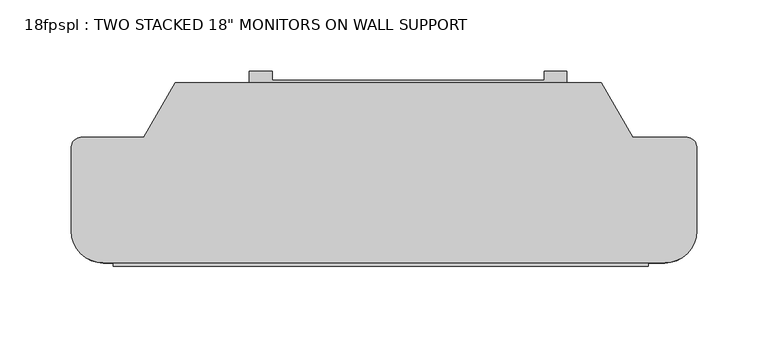
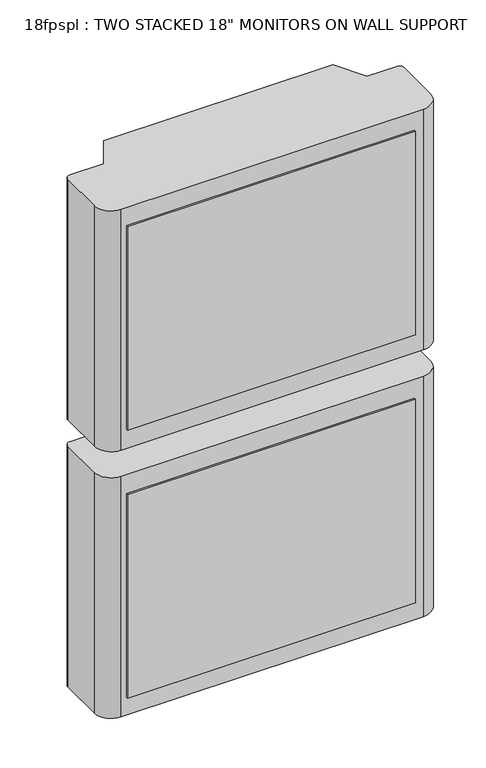
"""IFC4 building model written with IfcOpenShell, lengths in millimetres: proxy geometry."""

from ifc_helpers import new_model, si_unit, point, frame, frame_2d, origin, place, context, project, spatial, polyline, circle_curve, trimmed, segment, composite_curve, outline, extrude, source, transform, mapped, element, save


def proxy_c56af4f6(model_context):
    return source(origin(), model_context, "Body", "SweptSolid", [
        extrude(outline(polyline([(-191.6578655, 171.4178051), (182.9921345, 171.4178051), (182.9921345, 159.0541477), (-191.6578655, 159.0541477), (-191.6578655, 171.4178051)])), frame((0.0, 0.0, 1916.7188803), z_axis=(0.0, 0.0, 1.0), x_axis=(1.0, 0.0, 0.0)), (0.0, 0.0, 1.0), 279.4),
        extrude(outline(polyline([(-191.6578655, 171.4178051), (182.9921345, 171.4178051), (182.9921345, 159.0541477), (-191.6578655, 159.0541477), (-191.6578655, 171.4178051)])), frame((0.0, 0.0, 1548.3655858), z_axis=(0.0, 0.0, 1.0), x_axis=(1.0, 0.0, 0.0)), (0.0, 0.0, 1.0), 279.4),
        extrude(outline(polyline([(-96.2356229, 286.0541477), (-96.2356229, 295.39757), (-80.1340325, 295.39757), (-80.1340325, 289.04757), (110.3659675, 289.04757), (110.3659675, 295.39757), (126.0143771, 295.39757), (126.0143771, 286.0541477), (-96.2356229, 286.0541477)])), frame((0.0, 0.0, 1599.2188803), z_axis=(0.0, 0.0, 1.0), x_axis=(1.0, 0.0, 0.0)), (0.0, 0.0, 1.0), 177.5943649),
        extrude(outline(polyline([(-96.2356229, 286.0541477), (-96.2356229, 295.39757), (-80.1340325, 295.39757), (-80.1340325, 289.04757), (110.3659675, 289.04757), (110.3659675, 295.39757), (126.0143771, 295.39757), (126.0143771, 286.0541477), (-96.2356229, 286.0541477)])), frame((0.0, 0.0, 1948.4688803), z_axis=(0.0, 0.0, 1.0), x_axis=(1.0, 0.0, 0.0)), (0.0, 0.0, 1.0), 177.5943649),
        extrude(outline(composite_curve([segment(polyline([(194.5281477, 161.2269314), (-198.5533101, 161.2269314)]), True, "CONTINUOUS"), segment(trimmed(circle_curve(frame_2d((-198.5533101, 183.6775717)), 22.4506403), [point((-198.5533101, 161.2269314))], [point((-221.0039504, 183.6775717))], False, "CARTESIAN"), True, "CONTINUOUS"), segment(polyline([(-221.0039504, 183.6775717), (-221.0039504, 242.5069314)]), True, "CONTINUOUS"), segment(trimmed(circle_curve(frame_2d((-214.4118523, 242.5069314)), 6.5920981), [point((-221.0039504, 242.5069314))], [point((-214.4118523, 249.0990295))], False, "CARTESIAN"), True, "CONTINUOUS"), segment(polyline([(-214.4118523, 249.0990295), (-170.470781, 249.0990295), (-148.245781, 287.5938587), (150.0616899, 287.5938587), (172.2866899, 249.0990295), (210.3866899, 249.0990295)]), True, "CONTINUOUS"), segment(trimmed(circle_curve(frame_2d((210.3866899, 242.5069314)), 6.5920981), [point((210.3866899, 249.0990295))], [point((216.978788, 242.5069314))], False, "CARTESIAN"), True, "CONTINUOUS"), segment(polyline([(216.978788, 242.5069314), (216.978788, 183.6775717)]), True, "CONTINUOUS"), segment(trimmed(circle_curve(frame_2d((194.5281477, 183.6775717)), 22.4506403), [point((216.978788, 183.6775717))], [point((194.5281477, 161.2269314))], False, "CARTESIAN"), True, "CONTINUOUS")], self_intersect=False)), frame((0.0, 0.0, 1890.2485874), z_axis=(0.0, 0.0, 1.0), x_axis=(1.0, 0.0, 0.0)), (0.0, 0.0, 1.0), 330.8236736),
        extrude(outline(composite_curve([segment(polyline([(194.5281477, 161.2269314), (-198.5533101, 161.2269314)]), True, "CONTINUOUS"), segment(trimmed(circle_curve(frame_2d((-198.5533101, 183.6775717)), 22.4506403), [point((-198.5533101, 161.2269314))], [point((-221.0039504, 183.6775717))], False, "CARTESIAN"), True, "CONTINUOUS"), segment(polyline([(-221.0039504, 183.6775717), (-221.0039504, 242.5069314)]), True, "CONTINUOUS"), segment(trimmed(circle_curve(frame_2d((-214.4118523, 242.5069314)), 6.5920981), [point((-221.0039504, 242.5069314))], [point((-214.4118523, 249.0990295))], False, "CARTESIAN"), True, "CONTINUOUS"), segment(polyline([(-214.4118523, 249.0990295), (-170.470781, 249.0990295), (-148.245781, 287.5938587), (150.0616899, 287.5938587), (172.2866899, 249.0990295), (210.3866899, 249.0990295)]), True, "CONTINUOUS"), segment(trimmed(circle_curve(frame_2d((210.3866899, 242.5069314)), 6.5920981), [point((210.3866899, 249.0990295))], [point((216.978788, 242.5069314))], False, "CARTESIAN"), True, "CONTINUOUS"), segment(polyline([(216.978788, 242.5069314), (216.978788, 183.6775717)]), True, "CONTINUOUS"), segment(trimmed(circle_curve(frame_2d((194.5281477, 183.6775717)), 22.4506403), [point((216.978788, 183.6775717))], [point((194.5281477, 161.2269314))], False, "CARTESIAN"), True, "CONTINUOUS")], self_intersect=False)), frame((0.0, 0.0, 1523.4827929), z_axis=(0.0, 0.0, 1.0), x_axis=(1.0, 0.0, 0.0)), (0.0, 0.0, 1.0), 330.8236736),
    ])


if __name__ == "__main__":
    model = new_model("IFC4")
    model_context = context("Model", 3, world=origin())
    ifc_project = project(units=[si_unit("LENGTHUNIT", "METRE", prefix="MILLI")], contexts=[model_context])
    site = spatial("IfcSite", under=ifc_project)
    building = spatial("IfcBuilding", under=site)
    placement = place(None, origin())
    proxy_shape = proxy_c56af4f6(model_context)
    element("IfcBuildingElementProxy", 1, Name="18fpspl : TWO STACKED 18\" MONITORS ON WALL SUPPORT", ObjectType="18fpspl : TWO STACKED 18\" MONITORS ON WALL SUPPORT", at=placement, inside=building, context=model_context, shape_type="MappedRepresentation", body=[
        mapped(proxy_shape, transform((0.0, 0.0, 0.0), x_axis=(1.0, 0.0, 0.0), y_axis=(0.0, 1.0, 0.0), z_axis=(0.0, 0.0, 1.0))),
    ])
    save(model, "model.ifc")
